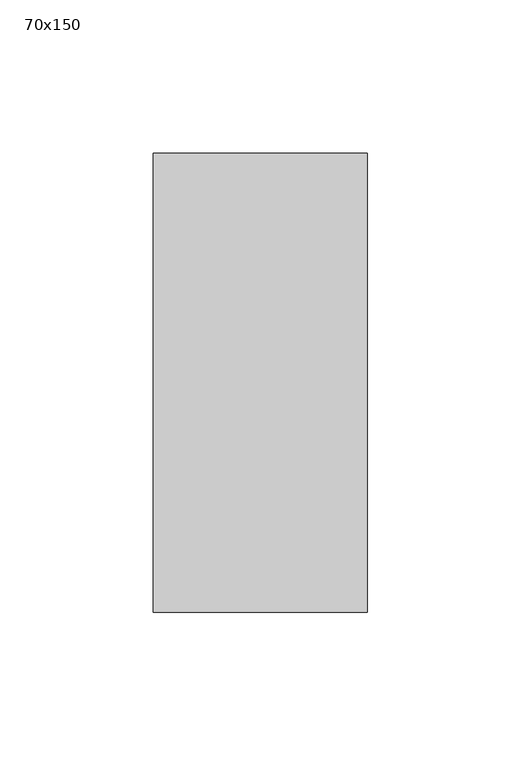
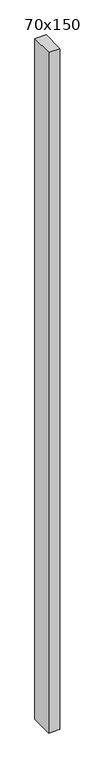
"""IFC4 building model written with IfcOpenShell, lengths in millimetres: member geometry, 70x150."""

from ifc_helpers import new_model, si_unit, frame, origin, place, context, project, spatial, polyline, outline, extrude, source, transform, mapped, element, save


def member_70x150_2e5d5b14(model_context):
    return source(origin(), model_context, "Body", "SweptSolid", [
        extrude(outline(polyline([(0.0, 75.0), (0.0, -75.0), (-70.0, -75.0), (-70.0, 75.0), (0.0, 75.0)])), frame((0.0, 0.0, -4528.3333333), z_axis=(0.0, 0.0, 1.0), x_axis=(1.0, 0.0, 0.0)), (0.0, 0.0, 1.0), 4528.3333333),
    ])


if __name__ == "__main__":
    model = new_model("IFC4")
    model_context = context("Model", 3, world=origin())
    ifc_project = project(units=[si_unit("LENGTHUNIT", "METRE", prefix="MILLI")], contexts=[model_context])
    site = spatial("IfcSite", under=ifc_project)
    building = spatial("IfcBuilding", under=site)
    placement = place(None, origin())
    member_70x150_shape = member_70x150_2e5d5b14(model_context)
    element("IfcMember", 1, ObjectType="70x150", at=placement, inside=building, context=model_context, shape_type="MappedRepresentation", body=[
        mapped(member_70x150_shape, transform((0.0, 0.0, 0.0), x_axis=(1.0, 0.0, 0.0), y_axis=(0.0, 1.0, 0.0), z_axis=(0.0, 0.0, 1.0))),
    ])
    save(model, "model.ifc")
